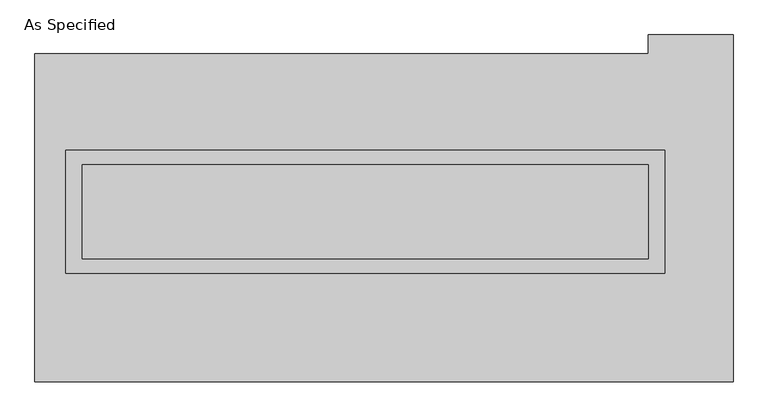
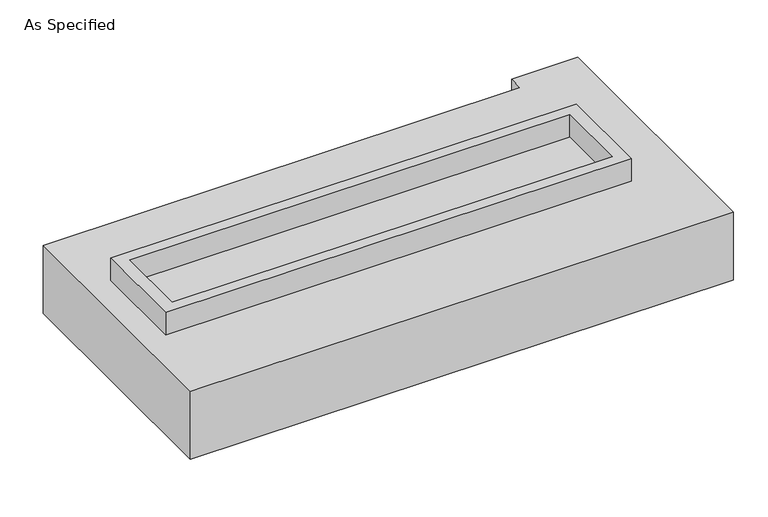
"""IFC4 building model written with IfcOpenShell, lengths in millimetres: proxy geometry, As Specified."""

from ifc_helpers import new_model, si_unit, frame, origin, place, context, project, spatial, polyline, outline, extrude, source, transform, mapped, element, save


def as_specified_1ba38f6f(model_context):
    return source(origin(), model_context, "Body", "SweptSolid", [
        extrude(outline(polyline([(1612.9, 361.95), (1612.9, -298.45), (-1612.9, -298.45), (-1612.9, 361.95), (1612.9, 361.95)]), holes=[polyline([(1524.0, 285.75), (-1524.0, 285.75), (-1524.0, -222.25), (1524.0, -222.25), (1524.0, 285.75)])]), frame((0.0, 0.0, -688.975), z_axis=(0.0, 0.0, 1.0), x_axis=(1.0, 0.0, 0.0)), (0.0, 0.0, 1.0), 165.1),
        extrude(outline(polyline([(1612.9, 361.95), (1612.9, -298.45), (-1612.9, -298.45), (-1612.9, 361.95), (1612.9, 361.95)]), holes=[polyline([(1524.0, 285.75), (-1524.0, 285.75), (-1524.0, -222.25), (1524.0, -222.25), (1524.0, 285.75)])]), frame((0.0, 0.0, -25.4), z_axis=(0.0, 0.0, 1.0), x_axis=(1.0, 0.0, 0.0)), (0.0, 0.0, 1.0), 165.1),
        extrude(outline(polyline([(1524.0, 285.75), (1524.0, -222.25), (-1524.0, -222.25), (-1524.0, 285.75), (1524.0, 285.75)])), frame((0.0, 0.0, -523.875), z_axis=(0.0, 0.0, 1.0), x_axis=(1.0, 0.0, 0.0)), (0.0, 0.0, 1.0), 4.9609375),
        extrude(outline(polyline([(1524.0, 285.75), (1524.0, -222.25), (-1524.0, -222.25), (-1524.0, 285.75), (1524.0, 285.75)])), frame((0.0, 0.0, -30.3609375), z_axis=(0.0, 0.0, 1.0), x_axis=(1.0, 0.0, 0.0)), (0.0, 0.0, 1.0), 4.9609375),
        extrude(outline(polyline([(1981.2, -882.65), (-1778.0, -882.65), (-1778.0, 882.65), (1524.0, 882.65), (1524.0, 984.25), (1981.2, 984.25), (1981.2, -882.65)]), holes=[polyline([(-1612.9, 361.95), (-1612.9, -298.45), (1612.9, -298.45), (1612.9, 361.95), (-1612.9, 361.95)])]), frame((0.0, 0.0, -523.875), z_axis=(0.0, 0.0, 1.0), x_axis=(1.0, 0.0, 0.0)), (0.0, 0.0, 1.0), 498.475),
    ])


if __name__ == "__main__":
    model = new_model("IFC4")
    model_context = context("Model", 3, world=origin())
    ifc_project = project(units=[si_unit("LENGTHUNIT", "METRE", prefix="MILLI")], contexts=[model_context])
    site = spatial("IfcSite", under=ifc_project)
    building = spatial("IfcBuilding", under=site)
    placement = place(None, origin())
    as_specified_shape = as_specified_1ba38f6f(model_context)
    element("IfcBuildingElementProxy", 1, Name="As Specified", ObjectType="As Specified", at=placement, inside=building, context=model_context, shape_type="MappedRepresentation", body=[
        mapped(as_specified_shape, transform((0.0, 0.0, 0.0), x_axis=(1.0, 0.0, 0.0), y_axis=(0.0, 1.0, 0.0), z_axis=(0.0, 0.0, 1.0))),
    ])
    save(model, "model.ifc")
